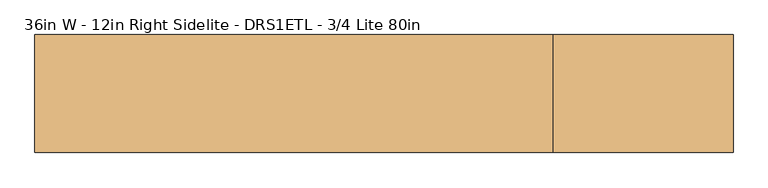
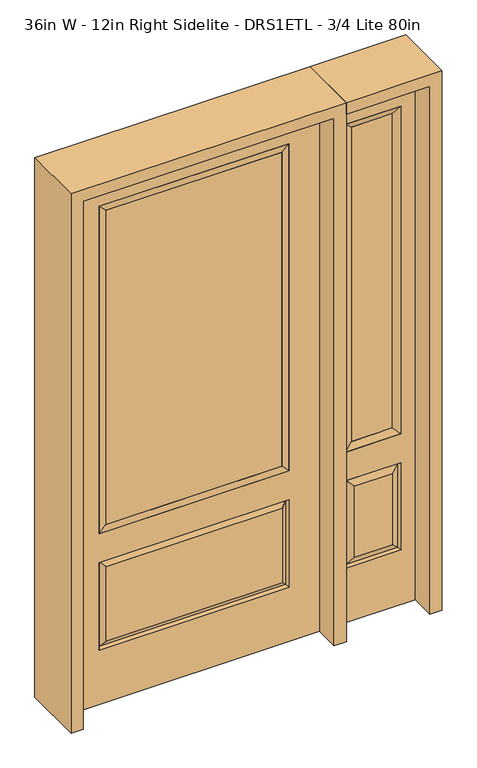
"""IFC4 building model written with IfcOpenShell, lengths in millimetres: door geometry, 36in W - 12in Right Sidelite - DRS1ETL - 3/4 Lite 80in."""

import ifcopenshell
import ifcopenshell.guid

model = None  # the IFC model being written
_history = None  # IfcOwnerHistory: only IFC2X3 demands one
_inside = {}  # id of a spatial element -> (the spatial element, [elements in it])
_under = {}  # id of a project, library or spatial element -> (it, [spatial elements below it])
_declared = {}  # id of a project -> (the project, [libraries it declares])
_typed = {}  # id of a type object -> (the type object, [elements of that type])
_made_of = {}  # id of a material, layer set ... -> (it, [elements and type objects made of it])


def new_model(schema):
    """Start an empty IFC model of exactly this schema.

    Asked for "IFC4X3", IfcOpenShell would pick the latest addendum, in which some entities
    have other attributes; the version numbers below select the first issue.
    IFC2X3 requires an IfcOwnerHistory on every rooted entity: one is made here for all.
    """
    global model, _history
    if schema == "IFC4X3":
        model = ifcopenshell.file(schema_version=(4, 3, 0, 0))
    else:
        model = ifcopenshell.file(schema=schema)
    _inside.clear()
    _under.clear()
    _declared.clear()
    _typed.clear()
    _made_of.clear()
    _history = None
    if model.schema == "IFC2X3":
        org = make("IfcOrganization", Name="unknown")
        user = make(
            "IfcPersonAndOrganization",
            ThePerson=make("IfcPerson", FamilyName="unknown"),
            TheOrganization=org,
        )
        app = make(
            "IfcApplication",
            ApplicationDeveloper=org,
            Version="unknown",
            ApplicationFullName="unknown",
            ApplicationIdentifier="unknown",
        )
        _history = make(
            "IfcOwnerHistory",
            OwningUser=user,
            OwningApplication=app,
            ChangeAction="ADDED",
            CreationDate=0,
        )
    return model


def make(cls, **values):
    """One entity of the class cls with the attributes given. An attribute that is None is left unset."""
    return model.create_entity(
        cls, **{name: value for name, value in values.items() if value is not None}
    )


def rooted(cls, **values):
    """An entity with a GlobalId (a new one), such as an element, a storey or a relation."""
    return make(cls, GlobalId=ifcopenshell.guid.new(), OwnerHistory=_history, **values)


def si_unit(unit_type, name, prefix=None):
    """IfcSIUnit, for example si_unit("LENGTHUNIT", "METRE", prefix="MILLI")."""
    return make("IfcSIUnit", UnitType=unit_type, Prefix=prefix, Name=name)


def assignment(units):
    """IfcUnitAssignment: the units of a project."""
    return None if units is None else make("IfcUnitAssignment", Units=units)


def point(xyz):
    """IfcCartesianPoint."""
    return None if xyz is None else make("IfcCartesianPoint", Coordinates=xyz)


def direction(xyz):
    """IfcDirection."""
    return None if xyz is None else make("IfcDirection", DirectionRatios=xyz)


def frame(location, z_axis=None, x_axis=None):
    """IfcAxis2Placement3D, a coordinate frame: its origin and axes. An axis left out is left unset."""
    return make(
        "IfcAxis2Placement3D",
        Location=point(location),
        Axis=direction(z_axis),
        RefDirection=direction(x_axis),
    )


def origin():
    """The frame at (0, 0, 0) with its axes left unset."""
    return frame((0.0, 0.0, 0.0))


def place(relative_to, where):
    """IfcLocalPlacement: puts the frame where relative to a parent placement (None: the world)."""
    return make(
        "IfcLocalPlacement", PlacementRelTo=relative_to, RelativePlacement=where
    )


def context(
    kind, dimensions, precision=None, world=None, true_north=None, identifier=None
):
    """IfcGeometricRepresentationContext, for example the 3D "Model" context."""
    return make(
        "IfcGeometricRepresentationContext",
        ContextIdentifier=identifier,
        ContextType=kind,
        CoordinateSpaceDimension=dimensions,
        Precision=precision,
        WorldCoordinateSystem=world,
        TrueNorth=true_north,
    )


def project(units=None, contexts=None):
    """IfcProject with its units and contexts."""
    return rooted(
        "IfcProject",
        Name="project",
        RepresentationContexts=contexts,
        UnitsInContext=assignment(units),
    )


def spatial(cls, under=None, at=None, **own):
    """A site, building, storey or space (cls), placed at a placement, below another one or the project."""
    s = rooted(cls, ObjectPlacement=at, **own)
    if under is not None:
        _under.setdefault(under.id(), (under, []))[1].append(s)
    return s


def polyline(points):
    """IfcPolyline through the points."""
    return make("IfcPolyline", Points=[point(p) for p in points])


def outline(outer, holes=None, kind="AREA"):
    """IfcArbitraryClosedProfileDef: a profile drawn as a closed curve; with holes, ...WithVoids."""
    if holes is None:
        return make("IfcArbitraryClosedProfileDef", ProfileType=kind, OuterCurve=outer)
    return make(
        "IfcArbitraryProfileDefWithVoids",
        ProfileType=kind,
        OuterCurve=outer,
        InnerCurves=holes,
    )


def extrude(swept, where, along, depth):
    """IfcExtrudedAreaSolid: the profile swept, set in the frame where, extruded along a direction by depth."""
    return make(
        "IfcExtrudedAreaSolid",
        SweptArea=swept,
        Position=where,
        ExtrudedDirection=direction(along),
        Depth=depth,
    )


def faces_of(points, faces, orient=None, outer=None):
    """IfcFace entities. A face is a list of loops; a loop is a list of indices into points, from 0.

    orient and outer hold one flag for each loop. By default every Orientation is true, the
    first loop of a face is its IfcFaceOuterBound and the others are IfcFaceBound.
    """
    made = []
    for i, loops in enumerate(faces):
        bounds = []
        for j, loop in enumerate(loops):
            is_outer = j == 0 if outer is None else outer[i][j]
            bounds.append(
                make(
                    "IfcFaceOuterBound" if is_outer else "IfcFaceBound",
                    Bound=make("IfcPolyLoop", Polygon=[points[k] for k in loop]),
                    Orientation=True if orient is None else orient[i][j],
                )
            )
        made.append(make("IfcFace", Bounds=bounds))
    return made


def faceted_brep(points, faces, orient=None, outer=None, voids=None):
    """IfcFacetedBrep: a solid bounded by flat faces; with voids (closed shells), ...WithVoids."""
    shared = [point(p) for p in points]
    hull = make("IfcClosedShell", CfsFaces=faces_of(shared, faces, orient, outer))
    if voids is None:
        return make("IfcFacetedBrep", Outer=hull)
    return make(
        "IfcFacetedBrepWithVoids",
        Outer=hull,
        Voids=[
            make(cls, CfsFaces=faces_of(shared, fs, o, b)) for cls, fs, o, b in voids
        ],
    )


def shape(context_of_items, identifier, shape_type, items):
    """IfcShapeRepresentation: the items that make up one representation, for example the "Body"."""
    return make(
        "IfcShapeRepresentation",
        ContextOfItems=context_of_items,
        RepresentationIdentifier=identifier,
        RepresentationType=shape_type,
        Items=items,
    )


def source(mapping_origin, context_of_items, identifier, shape_type, items):
    """IfcRepresentationMap: a shape defined once, which mapped items show again and again."""
    return make(
        "IfcRepresentationMap",
        MappingOrigin=mapping_origin,
        MappedRepresentation=shape(context_of_items, identifier, shape_type, items),
    )


def transform(
    local_origin,
    x_axis=None,
    y_axis=None,
    z_axis=None,
    scale=None,
    scale2=None,
    scale3=None,
    uniform=True,
):
    """IfcCartesianTransformationOperator3D, or its non-uniform kind. x_axis, y_axis, z_axis: its Axis1, 2, 3."""
    if uniform:
        return make(
            "IfcCartesianTransformationOperator3D",
            Axis1=direction(x_axis),
            Axis2=direction(y_axis),
            LocalOrigin=point(local_origin),
            Scale=scale,
            Axis3=direction(z_axis),
        )
    return make(
        "IfcCartesianTransformationOperator3DnonUniform",
        Axis1=direction(x_axis),
        Axis2=direction(y_axis),
        LocalOrigin=point(local_origin),
        Scale=scale,
        Axis3=direction(z_axis),
        Scale2=scale2,
        Scale3=scale3,
    )


def mapped(mapping_source, mapping_target):
    """IfcMappedItem: shows the shape of a source again, moved by a transform."""
    return make(
        "IfcMappedItem", MappingSource=mapping_source, MappingTarget=mapping_target
    )


def made_of(thing, what):
    """Note that an element or type object is made of a material, layer set ...; save() writes the relation."""
    if what is not None:
        _made_of.setdefault(what.id(), (what, []))[1].append(thing)
    return thing


def element(
    cls,
    number,
    at=None,
    inside=None,
    cuts=None,
    type_object=None,
    material=None,
    context=None,
    identifier="Body",
    shape_type=None,
    held_by="IfcProductDefinitionShape",
    body=None,
    shapes=None,
    **own,
):
    """One element of the class cls, such as IfcWall. Its Tag is "e" and its number.

    at: its placement. inside: the storey or other place that contains it. cuts: it is an
    opening in that element (IfcRelVoidsElement). A single representation is given by context,
    identifier, shape_type and body (its items); several are given by shapes. held_by: the class
    of the entity that holds the representations. save() writes the other relations.
    """
    e = rooted(cls, Tag="e%d" % number, ObjectPlacement=at, **own)
    if body is not None:
        shapes = [shape(context, identifier, shape_type, body)]
    if shapes is not None:
        e.Representation = make(held_by, Representations=shapes)
    if inside is not None:
        _inside.setdefault(inside.id(), (inside, []))[1].append(e)
    if cuts is not None:
        rooted(
            "IfcRelVoidsElement", RelatingBuildingElement=cuts, RelatedOpeningElement=e
        )
    if type_object is not None:
        _typed.setdefault(type_object.id(), (type_object, []))[1].append(e)
    return made_of(e, material)


def aggregate(whole, parts):
    """IfcRelAggregates: a whole, such as a stair, and the parts it consists of."""
    return rooted("IfcRelAggregates", RelatingObject=whole, RelatedObjects=parts)


def save(model, path):
    """Write the relations noted so far, then the file.

    IfcRelAggregates (storeys below a building ...), IfcRelContainedInSpatialStructure (elements
    in a storey), IfcRelDefinesByType, IfcRelAssociatesMaterial and IfcRelDeclares: one each for
    every whole, place, type object, material and project.
    """
    for whole, parts in _under.values():
        aggregate(whole, parts)
    for where, things in _inside.values():
        rooted(
            "IfcRelContainedInSpatialStructure",
            RelatedElements=things,
            RelatingStructure=where,
        )
    for kind, things in _typed.values():
        rooted("IfcRelDefinesByType", RelatedObjects=things, RelatingType=kind)
    for what, things in _made_of.values():
        rooted("IfcRelAssociatesMaterial", RelatedObjects=things, RelatingMaterial=what)
    for by, libraries in _declared.values():
        rooted("IfcRelDeclares", RelatingContext=by, RelatedDefinitions=libraries)
    model.write(path)


def door_36in_w_12in_right_sidelite_drs1etl_3_4_lite_80in_9755e6e3(model_context):
    return source(origin(), model_context, "Body", "SolidModel", [
        faceted_brep([(501.65, -22.225, 0.0), (806.45, -22.225, 0.0), (806.45, -22.225, 2032.0), (501.65, -22.225, 2032.0), (754.38, -22.225, 1919.224), (754.38, -22.225, 657.098), (553.72, -22.225, 657.098), (553.72, -22.225, 1919.224), (754.38, -22.225, 209.55), (553.72, -22.225, 209.55), (553.72, -22.225, 546.1), (754.38, -22.225, 546.1), (585.4351001, -22.225, 241.2651001), (722.6648999, -22.225, 241.2651001), (722.6648999, -22.225, 514.3848999), (585.4351001, -22.225, 514.3848999), (501.65, 22.225, 0.0), (501.65, 22.225, 2032.0), (806.45, 22.225, 2032.0), (806.45, 22.225, 0.0), (754.38, 22.225, 1919.224), (553.72, 22.225, 1919.224), (553.72, 22.225, 657.098), (754.38, 22.225, 657.098), (553.72, 22.225, 209.55), (754.38, 22.225, 209.55), (754.38, 22.225, 546.1), (553.72, 22.225, 546.1), (722.6648999, 22.225, 241.2651001), (585.4351001, 22.225, 241.2651001), (585.4351001, 22.225, 514.3848999), (722.6648999, 22.225, 514.3848999), (747.2711499, 12.7912373, 216.6588501), (560.8288501, 12.7912373, 216.6588501), (560.8288501, 12.7912373, 538.9911499), (747.2711499, 12.7912373, 538.9911499), (560.8288501, -12.7912373, 216.6588501), (747.2711499, -12.7912373, 216.6588501), (560.8288501, -12.7912373, 538.9911499), (747.2711499, -12.7912373, 538.9911499)], [[[0, 1, 2, 3], [4, 5, 6, 7], [8, 9, 10, 11]], [[12, 13, 14, 15]], [[16, 17, 18, 19], [20, 21, 22, 23], [24, 25, 26, 27]], [[28, 29, 30, 31]], [[1, 0, 16, 19]], [[2, 1, 19, 18]], [[3, 2, 18, 17]], [[0, 3, 17, 16]], [[5, 4, 20, 23]], [[6, 5, 23, 22]], [[7, 6, 22, 21]], [[4, 7, 21, 20]], [[32, 33, 29, 28]], [[33, 32, 25, 24]], [[29, 33, 34, 30]], [[33, 24, 27, 34]], [[30, 34, 35, 31]], [[34, 27, 26, 35]], [[32, 28, 31, 35]], [[25, 32, 35, 26]], [[12, 36, 37, 13]], [[37, 36, 9, 8]], [[36, 12, 15, 38]], [[9, 36, 38, 10]], [[38, 15, 14, 39]], [[10, 38, 39, 11]], [[13, 37, 39, 14]], [[37, 8, 11, 39]]]),
        faceted_brep([(553.72, 22.225, 1919.224), (553.72, -22.225, 1919.224), (754.38, -22.225, 1919.224), (754.38, 22.225, 1919.224), (579.12, 12.7, 1893.824), (728.98, 12.7, 1893.824), (579.12, -12.7, 1893.824), (728.98, -12.7, 1893.824), (754.38, -22.225, 657.098), (754.38, 22.225, 657.098), (728.98, 12.7, 682.498), (728.98, -12.7, 682.498), (553.72, -22.225, 657.098), (553.72, 22.225, 657.098), (579.12, 12.7, 682.498), (579.12, -12.7, 682.498)], [[[0, 1, 2, 3]], [[4, 0, 3, 5]], [[6, 4, 5, 7]], [[1, 6, 7, 2]], [[3, 2, 8, 9]], [[5, 3, 9, 10]], [[7, 5, 10, 11]], [[2, 7, 11, 8]], [[9, 8, 12, 13]], [[10, 9, 13, 14]], [[11, 10, 14, 15]], [[8, 11, 15, 12]], [[13, 12, 1, 0]], [[14, 13, 0, 4]], [[15, 14, 4, 6]], [[12, 15, 6, 1]]]),
        extrude(outline(polyline([(728.98, -12.7), (579.12, -12.7), (579.12, 12.7), (728.98, 12.7), (728.98, -12.7)])), frame((0.0, 0.0, 682.498), z_axis=(0.0, 0.0, 1.0), x_axis=(1.0, 0.0, 0.0)), (0.0, 0.0, 1.0), 1211.326),
        faceted_brep([(-338.9661499, -12.7912373, 216.6588501), (338.9661499, -12.7912373, 216.6588501), (321.46875, -22.225, 234.15625), (-321.46875, -22.225, 234.15625), (-346.075, -22.225, 209.55), (346.075, -22.225, 209.55), (-338.9661499, -12.7912373, 538.9911499), (-346.075, -22.225, 546.1), (321.46875, -22.225, 521.49375), (-321.46875, -22.225, 521.49375), (457.2, -22.225, 2032.0), (-457.2, -22.225, 2032.0), (-457.2, -22.225, 0.0), (457.2, -22.225, 0.0), (346.075, -22.225, 546.1), (346.075, -22.225, 1917.7), (346.075, -22.225, 657.098), (-346.075, -22.225, 657.098), (-346.075, -22.225, 1917.7), (338.9661499, -12.7912373, 538.9911499), (-457.2, 22.225, 2032.0), (-457.2, 22.225, 0.0), (457.2, 22.225, 0.0), (457.2, 22.225, 2032.0), (346.075, 22.225, 1917.7), (346.075, 22.225, 657.098), (-346.075, 22.225, 657.098), (-346.075, 22.225, 1917.7), (-346.075, 22.225, 209.55), (346.075, 22.225, 209.55), (346.075, 22.225, 546.1), (-346.075, 22.225, 546.1), (321.46875, 22.225, 234.15625), (-321.46875, 22.225, 234.15625), (-321.46875, 22.225, 521.49375), (321.46875, 22.225, 521.49375), (-338.9661499, 12.7912373, 216.6588501), (338.9661499, 12.7912373, 216.6588501), (338.9661499, 12.7912373, 538.9911499), (-338.9661499, 12.7912373, 538.9911499)], [[[0, 1, 2, 3]], [[1, 0, 4, 5]], [[4, 0, 6, 7]], [[3, 2, 8, 9]], [[10, 11, 12, 13], [5, 4, 7, 14], [15, 16, 17, 18]], [[1, 5, 14, 19]], [[2, 1, 19, 8]], [[0, 3, 9, 6]], [[7, 6, 19, 14]], [[6, 9, 8, 19]], [[12, 11, 20, 21]], [[13, 12, 21, 22]], [[10, 13, 22, 23]], [[16, 15, 24, 25]], [[17, 16, 25, 26]], [[18, 17, 26, 27]], [[23, 22, 21, 20], [28, 29, 30, 31], [24, 27, 26, 25]], [[32, 33, 34, 35]], [[28, 36, 37, 29]], [[29, 37, 38, 30]], [[39, 31, 30, 38]], [[36, 28, 31, 39]], [[37, 36, 33, 32]], [[33, 36, 39, 34]], [[34, 39, 38, 35]], [[37, 32, 35, 38]], [[11, 10, 23, 20]], [[15, 18, 27, 24]]]),
        faceted_brep([(-346.075, -22.225, 1917.7), (-346.075, 22.225, 1917.7), (-346.075, 22.225, 657.098), (-346.075, -22.225, 657.098), (346.075, 22.225, 657.098), (346.075, -22.225, 657.098), (-320.675, 5.08, 682.498), (320.675, 5.08, 682.498), (346.075, 22.225, 1917.7), (346.075, -22.225, 1917.7), (-320.675, -20.32, 682.498), (320.675, -20.32, 682.498), (-320.675, -20.32, 1892.3), (320.675, -20.32, 1892.3), (-320.675, 5.08, 1892.3), (320.675, 5.08, 1892.3)], [[[0, 1, 2, 3]], [[3, 2, 4, 5]], [[2, 6, 7, 4]], [[5, 4, 8, 9]], [[10, 3, 5, 11]], [[12, 0, 3, 10]], [[11, 5, 9, 13]], [[6, 10, 11, 7]], [[14, 12, 10, 6]], [[7, 11, 13, 15]], [[1, 14, 6, 2]], [[4, 7, 15, 8]], [[9, 8, 1, 0]], [[13, 9, 0, 12]], [[15, 13, 12, 14]], [[8, 15, 14, 1]]]),
        extrude(outline(polyline([(320.675, -20.32), (-320.675, -20.32), (-320.675, 5.08), (320.675, 5.08), (320.675, -20.32)])), frame((0.0, 0.0, 682.498), z_axis=(0.0, 0.0, 1.0), x_axis=(1.0, 0.0, 0.0)), (0.0, 0.0, 1.0), 1209.802),
        extrude(outline(polyline([(2076.45, -501.65), (0.0, -501.65), (0.0, -457.2), (2032.0, -457.2), (2032.0, 457.2), (0.0, 457.2), (0.0, 501.65), (2076.45, 501.65), (2076.45, -501.65)])), frame((0.0, -114.3, 0.0), z_axis=(0.0, 1.0, 0.0), x_axis=(0.0, 0.0, 1.0)), (0.0, 0.0, 1.0), 228.6),
        extrude(outline(polyline([(0.0, 806.45), (0.0, 850.9), (2076.45, 850.9), (2076.45, 501.65), (2032.0, 501.65), (2032.0, 806.45), (0.0, 806.45)])), frame((0.0, -114.3, 0.0), z_axis=(0.0, 1.0, 0.0), x_axis=(0.0, 0.0, 1.0)), (0.0, 0.0, 1.0), 228.6),
    ])


if __name__ == "__main__":
    model = new_model("IFC4")
    model_context = context("Model", 3, world=origin())
    ifc_project = project(units=[si_unit("LENGTHUNIT", "METRE", prefix="MILLI")], contexts=[model_context])
    site = spatial("IfcSite", under=ifc_project)
    building = spatial("IfcBuilding", under=site)
    placement = place(None, origin())
    door_36in_w_12in_right_sidelite_drs1etl_3_4_lite_80in_shape = door_36in_w_12in_right_sidelite_drs1etl_3_4_lite_80in_9755e6e3(model_context)
    element("IfcDoor", 1, ObjectType="36in W - 12in Right Sidelite - DRS1ETL - 3/4 Lite 80in", at=placement, inside=building, context=model_context, shape_type="MappedRepresentation", body=[
        mapped(door_36in_w_12in_right_sidelite_drs1etl_3_4_lite_80in_shape, transform((0.0, 0.0, 0.0), x_axis=(1.0, 0.0, 0.0), y_axis=(0.0, 1.0, 0.0), z_axis=(0.0, 0.0, 1.0))),
    ])
    save(model, "model.ifc")
